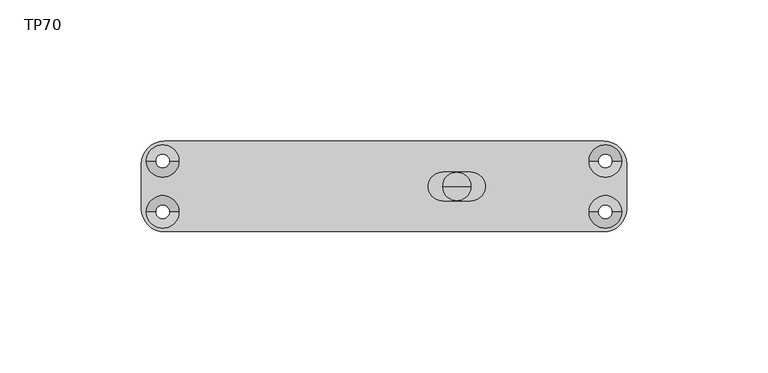
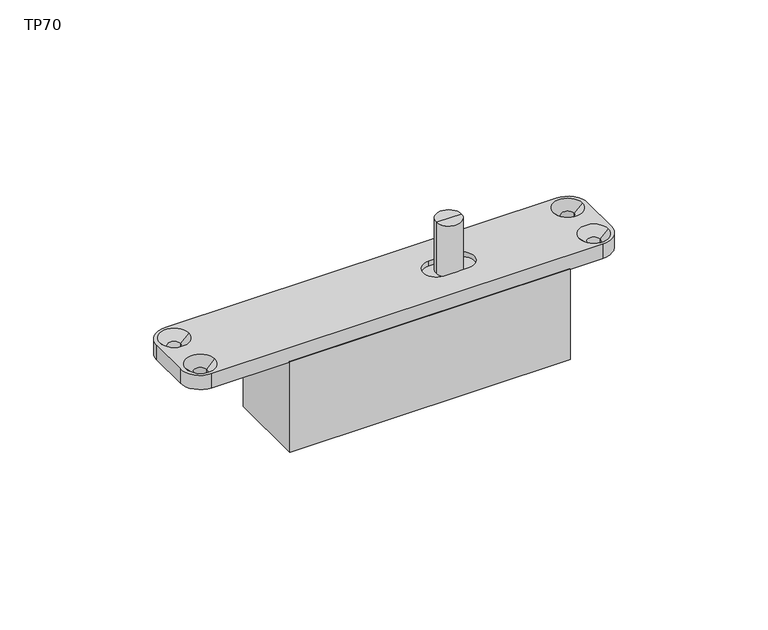
"""IFC4 building model written with IfcOpenShell, lengths in millimetres: proxy geometry, TP70."""

from ifc_helpers import new_model, si_unit, frame, origin, place, context, project, spatial, polyline, circle_curve, source, transform, mapped, element, save
from ifc_brep_helpers import plane_surface, cylinder_surface, revolved_surface, advanced_brep


def tp70_18b1f5ac(model_context):
    return source(origin(), model_context, "Body", "AdvancedBrep", [
        advanced_brep(
        [(-72.5, -16.0, -44.0), (39.0, -16.0, -44.0), (39.0, -16.0, -6.0), (-72.5, -16.0, -6.0), (-72.5, 16.0, -44.0), (-72.5, 16.0, -6.0), (39.0, 16.0, -6.0), (39.0, 16.0, -44.0), (39.0, 5.0, -13.0), (39.0, -5.0, -13.0), (39.0, 5.0, -34.0), (39.0, -5.0, -34.0), (37.0, -3.0, -13.0), (37.0, 3.0, -13.0), (33.0, 3.0, -13.0), (33.0, -3.0, -13.0), (33.0, 0.0, -13.0), (37.0, -3.0, -34.0), (37.0, 3.0, -34.0), (33.0, 3.0, -34.0), (33.0, -3.0, -34.0), (33.0, 0.0, -34.0)],
        [
            (0, 1),
            (1, 2),
            (2, 3),
            (3, 0),
            (4, 5),
            (5, 6),
            (6, 7),
            (7, 4),
            (0, 4),
            (7, 1),
            (6, 2),
            (8, 9, circle_curve(frame((39.0, 0.0, -13.0), z_axis=(-1.0, 0.0, 0.0), x_axis=(0.0, 1.0, 0.0)), 5.0)),
            (9, 8, circle_curve(frame((39.0, 0.0, -13.0), z_axis=(-1.0, 0.0, 0.0), x_axis=(0.0, 1.0, 0.0)), 5.0)),
            (10, 11, circle_curve(frame((39.0, 0.0, -34.0), z_axis=(-1.0, 0.0, 0.0), x_axis=(0.0, 1.0, 0.0)), 5.0)),
            (11, 10, circle_curve(frame((39.0, 0.0, -34.0), z_axis=(-1.0, 0.0, 0.0), x_axis=(0.0, 1.0, 0.0)), 5.0)),
            (5, 3),
            (12, 9),
            (8, 13),
            (13, 12, circle_curve(frame((37.0, 0.0, -13.0), z_axis=(-1.0, 0.0, 0.0), x_axis=(0.0, 1.0, 0.0)), 3.0)),
            (12, 13, circle_curve(frame((37.0, 0.0, -13.0), z_axis=(-1.0, 0.0, 0.0), x_axis=(0.0, 1.0, 0.0)), 3.0)),
            (13, 14),
            (14, 15, circle_curve(frame((33.0, 0.0, -13.0), z_axis=(-1.0, 0.0, 0.0), x_axis=(0.0, 1.0, 0.0)), 3.0)),
            (15, 12),
            (15, 14, circle_curve(frame((33.0, 0.0, -13.0), z_axis=(-1.0, 0.0, 0.0), x_axis=(0.0, 1.0, 0.0)), 3.0)),
            (14, 16),
            (16, 15),
            (17, 11),
            (10, 18),
            (18, 17, circle_curve(frame((37.0, 0.0, -34.0), z_axis=(-1.0, 0.0, 0.0), x_axis=(0.0, 1.0, 0.0)), 3.0)),
            (17, 18, circle_curve(frame((37.0, 0.0, -34.0), z_axis=(-1.0, 0.0, 0.0), x_axis=(0.0, 1.0, 0.0)), 3.0)),
            (18, 19),
            (19, 20, circle_curve(frame((33.0, 0.0, -34.0), z_axis=(-1.0, 0.0, 0.0), x_axis=(0.0, 1.0, 0.0)), 3.0)),
            (20, 17),
            (20, 19, circle_curve(frame((33.0, 0.0, -34.0), z_axis=(-1.0, 0.0, 0.0), x_axis=(0.0, 1.0, 0.0)), 3.0)),
            (19, 21),
            (21, 20),
        ],
        [
            plane_surface(frame((-65.6, -16.0, -44.0), z_axis=(0.0, -1.0, 0.0), x_axis=(1.0, 0.0, 0.0))),
            plane_surface(frame((-65.6, 16.0, -44.0), z_axis=(0.0, 1.0, 0.0), x_axis=(-1.0, 0.0, 0.0))),
            plane_surface(frame((-72.5, -16.0, -44.0), z_axis=(0.0, 0.0, -1.0), x_axis=(0.0, 1.0, 0.0))),
            plane_surface(frame((39.0, -16.0, -44.0), z_axis=(1.0, 0.0, 0.0), x_axis=(0.0, 1.0, 0.0))),
            plane_surface(frame((39.0, -16.0, -6.0), z_axis=(0.0, 0.0, 1.0), x_axis=(0.0, 1.0, 0.0))),
            plane_surface(frame((-72.5, -16.0, -6.0), z_axis=(-1.0, 0.0, 0.0), x_axis=(0.0, 1.0, 0.0))),
            revolved_surface(polyline([(37.0, 3.0, -13.0), (39.0, 5.0, -13.0)]), (49.2693834, 0.0, -13.0), (-1.0, 0.0, 0.0)),
            revolved_surface(polyline([(33.0, 3.0, -13.0), (37.0, 3.0, -13.0)]), (49.2693834, 0.0, -13.0), (-1.0, 0.0, 0.0)),
            plane_surface(frame((33.0, 0.0, -13.0), z_axis=(1.0, 0.0, 0.0), x_axis=(0.0, 1.0, 0.0))),
            revolved_surface(polyline([(37.0, 3.0, -34.0), (39.0, 5.0, -34.0)]), (49.2693834, 0.0, -34.0), (-1.0, 0.0, 0.0)),
            revolved_surface(polyline([(33.0, 3.0, -34.0), (37.0, 3.0, -34.0)]), (49.2693834, 0.0, -34.0), (-1.0, 0.0, 0.0)),
            plane_surface(frame((33.0, 0.0, -34.0), z_axis=(1.0, 0.0, 0.0), x_axis=(0.0, 1.0, 0.0))),
        ],
        [
            (0, [[1, 2, 3, 4]]),
            (1, [[5, 6, 7, 8]]),
            (2, [[-1, 9, -8, 10]]),
            (3, [[-2, -10, -7, 11], [12, 13], [14, 15]]),
            (4, [[-3, -11, -6, 16]]),
            (5, [[-4, -16, -5, -9]]),
            (6, [[17, -12, 18, 19]]),
            (6, [[-17, 20, -18, -13]]),
            (7, [[-19, 21, 22, 23]]),
            (7, [[-20, -23, 24, -21]]),
            (8, [[-22, 25, 26]]),
            (8, [[-24, -26, -25]]),
            (9, [[27, -14, 28, 29]]),
            (9, [[-27, 30, -28, -15]]),
            (10, [[-29, 31, 32, 33]]),
            (10, [[-30, -33, 34, -31]]),
            (11, [[-32, 35, 36]]),
            (11, [[-34, -36, -35]]),
        ],
    ),
        advanced_brep(
        [(5.0, 0.0, -2.0), (-5.0, 0.0, -2.0), (-5.0, 0.0, 19.5), (5.0, 0.0, 19.5), (0.0, 0.0, -2.0), (0.0, 0.0, 19.5)],
        [
            (0, 1, circle_curve(frame((0.0, 0.0, -2.0), z_axis=(0.0, 0.0, 1.0), x_axis=(-1.0, 0.0, 0.0)), 5.0)),
            (1, 2),
            (2, 3, circle_curve(frame((0.0, 0.0, 19.5), z_axis=(0.0, 0.0, -1.0), x_axis=(-1.0, 0.0, 0.0)), 5.0)),
            (3, 0),
            (1, 0, circle_curve(frame((0.0, 0.0, -2.0), z_axis=(0.0, 0.0, 1.0), x_axis=(-1.0, 0.0, 0.0)), 5.0)),
            (3, 2, circle_curve(frame((0.0, 0.0, 19.5), z_axis=(0.0, 0.0, -1.0), x_axis=(-1.0, 0.0, 0.0)), 5.0)),
            (4, 1),
            (0, 4),
            (2, 5),
            (5, 3),
        ],
        [
            cylinder_surface(frame((0.0, 0.0, 27.9005806), z_axis=(0.0, 0.0, -1.0), x_axis=(-1.0, 0.0, 0.0)), 5.0),
            plane_surface(frame((0.0, 0.0, -2.0), z_axis=(0.0, 0.0, -1.0), x_axis=(-1.0, 0.0, 0.0))),
            plane_surface(frame((0.0, 0.0, 19.5), z_axis=(0.0, 0.0, 1.0), x_axis=(-1.0, 0.0, 0.0))),
        ],
        [
            (0, [[1, 2, 3, 4]]),
            (0, [[5, -4, 6, -2]]),
            (1, [[7, -1, 8]]),
            (1, [[-8, -5, -7]]),
            (2, [[-3, 9, 10]]),
            (2, [[-6, -10, -9]]),
        ],
    ),
        advanced_brep(
        [(-103.5, -16.0, -6.0), (52.0, -16.0, -6.0), (52.0, -16.0, 0.0), (-103.5, -16.0, 0.0), (-103.5, 16.0, 0.0), (52.0, 16.0, 0.0), (52.0, 16.0, -6.0), (-103.5, 16.0, -6.0), (-111.5, -8.0, 0.0), (-111.5, 8.0, 0.0), (-111.5, 8.0, -6.0), (-111.5, -8.0, -6.0), (60.0, -8.0, 0.0), (60.0, 8.0, 0.0), (-109.75, 9.0, 0.0), (-98.25, 9.0, 0.0), (-98.25, -9.0, 0.0), (-109.75, -9.0, 0.0), (46.75, 9.0, 0.0), (58.25, 9.0, 0.0), (58.25, -9.0, 0.0), (46.75, -9.0, 0.0), (-5.0, 5.1, 0.0), (5.0, 5.1, 0.0), (5.0, -5.1, 0.0), (-5.0, -5.1, 0.0), (60.0, -8.0, -6.0), (60.0, 8.0, -6.0), (-101.5, 9.0, -6.0), (-106.5, 9.0, -6.0), (-106.5, -9.0, -6.0), (-101.5, -9.0, -6.0), (55.0, 9.0, -6.0), (50.0, 9.0, -6.0), (50.0, -9.0, -6.0), (55.0, -9.0, -6.0), (-101.5, 9.0, -3.25), (-106.5, 9.0, -3.25), (-101.5, -9.0, -3.25), (-106.5, -9.0, -3.25), (50.0, 9.0, -3.25), (55.0, 9.0, -3.25), (50.0, -9.0, -3.25), (55.0, -9.0, -3.25), (5.0, 5.1, -2.0), (-5.0, 5.1, -2.0), (-5.0, -5.1, -2.0), (5.0, -5.1, -2.0)],
        [
            (0, 1),
            (1, 2),
            (2, 3),
            (3, 0),
            (4, 5),
            (5, 6),
            (6, 7),
            (7, 4),
            (8, 9),
            (9, 10),
            (10, 11),
            (11, 8),
            (2, 12, circle_curve(frame((52.0, -8.0, 0.0), z_axis=(0.0, 0.0, 1.0), x_axis=(-1.0, 0.0, 0.0)), 8.0)),
            (12, 13),
            (13, 5, circle_curve(frame((52.0, 8.0, 0.0), z_axis=(0.0, 0.0, 1.0), x_axis=(-1.0, 0.0, 0.0)), 8.0)),
            (4, 9, circle_curve(frame((-103.5, 8.0, 0.0), z_axis=(0.0, 0.0, 1.0), x_axis=(1.0, 0.0, 0.0)), 8.0)),
            (8, 3, circle_curve(frame((-103.5, -8.0, 0.0), z_axis=(0.0, 0.0, 1.0), x_axis=(1.0, 0.0, 0.0)), 8.0)),
            (14, 15, circle_curve(frame((-104.0, 9.0, 0.0), z_axis=(0.0, 0.0, -1.0), x_axis=(-1.0, 0.0, 0.0)), 5.75)),
            (15, 14, circle_curve(frame((-104.0, 9.0, 0.0), z_axis=(0.0, 0.0, -1.0), x_axis=(-1.0, 0.0, 0.0)), 5.75)),
            (16, 17, circle_curve(frame((-104.0, -9.0, 0.0), z_axis=(0.0, 0.0, -1.0), x_axis=(-1.0, 0.0, 0.0)), 5.75)),
            (17, 16, circle_curve(frame((-104.0, -9.0, 0.0), z_axis=(0.0, 0.0, -1.0), x_axis=(-1.0, 0.0, 0.0)), 5.75)),
            (18, 19, circle_curve(frame((52.5, 9.0, 0.0), z_axis=(0.0, 0.0, -1.0), x_axis=(1.0, 0.0, 0.0)), 5.75)),
            (19, 18, circle_curve(frame((52.5, 9.0, 0.0), z_axis=(0.0, 0.0, -1.0), x_axis=(1.0, 0.0, 0.0)), 5.75)),
            (20, 21, circle_curve(frame((52.5, -9.0, 0.0), z_axis=(0.0, 0.0, -1.0), x_axis=(1.0, 0.0, 0.0)), 5.75)),
            (21, 20, circle_curve(frame((52.5, -9.0, 0.0), z_axis=(0.0, 0.0, -1.0), x_axis=(1.0, 0.0, 0.0)), 5.75)),
            (22, 23),
            (23, 24, circle_curve(frame((5.0, 0.0, 0.0), z_axis=(0.0, 0.0, -1.0), x_axis=(0.0, -1.0, 0.0)), 5.1)),
            (24, 25),
            (25, 22, circle_curve(frame((-5.0, 0.0, 0.0), z_axis=(0.0, 0.0, -1.0), x_axis=(0.0, -1.0, 0.0)), 5.1)),
            (12, 26),
            (26, 27),
            (27, 13),
            (0, 11, circle_curve(frame((-103.5, -8.0, -6.0), z_axis=(0.0, 0.0, -1.0), x_axis=(1.0, 0.0, 0.0)), 8.0)),
            (10, 7, circle_curve(frame((-103.5, 8.0, -6.0), z_axis=(0.0, 0.0, -1.0), x_axis=(1.0, 0.0, 0.0)), 8.0)),
            (6, 27, circle_curve(frame((52.0, 8.0, -6.0), z_axis=(0.0, 0.0, -1.0), x_axis=(-1.0, 0.0, 0.0)), 8.0)),
            (26, 1, circle_curve(frame((52.0, -8.0, -6.0), z_axis=(0.0, 0.0, -1.0), x_axis=(-1.0, 0.0, 0.0)), 8.0)),
            (28, 29, circle_curve(frame((-104.0, 9.0, -6.0), z_axis=(0.0, 0.0, 1.0), x_axis=(-1.0, 0.0, 0.0)), 2.5)),
            (29, 28, circle_curve(frame((-104.0, 9.0, -6.0), z_axis=(0.0, 0.0, 1.0), x_axis=(-1.0, 0.0, 0.0)), 2.5)),
            (30, 31, circle_curve(frame((-104.0, -9.0, -6.0), z_axis=(0.0, 0.0, 1.0), x_axis=(-1.0, 0.0, 0.0)), 2.5)),
            (31, 30, circle_curve(frame((-104.0, -9.0, -6.0), z_axis=(0.0, 0.0, 1.0), x_axis=(-1.0, 0.0, 0.0)), 2.5)),
            (32, 33, circle_curve(frame((52.5, 9.0, -6.0), z_axis=(0.0, 0.0, 1.0), x_axis=(1.0, 0.0, 0.0)), 2.5)),
            (33, 32, circle_curve(frame((52.5, 9.0, -6.0), z_axis=(0.0, 0.0, 1.0), x_axis=(1.0, 0.0, 0.0)), 2.5)),
            (34, 35, circle_curve(frame((52.5, -9.0, -6.0), z_axis=(0.0, 0.0, 1.0), x_axis=(1.0, 0.0, 0.0)), 2.5)),
            (35, 34, circle_curve(frame((52.5, -9.0, -6.0), z_axis=(0.0, 0.0, 1.0), x_axis=(1.0, 0.0, 0.0)), 2.5)),
            (28, 36),
            (36, 37, circle_curve(frame((-104.0, 9.0, -3.25), z_axis=(0.0, 0.0, 1.0), x_axis=(-1.0, 0.0, 0.0)), 2.5)),
            (37, 29),
            (37, 36, circle_curve(frame((-104.0, 9.0, -3.25), z_axis=(0.0, 0.0, 1.0), x_axis=(-1.0, 0.0, 0.0)), 2.5)),
            (36, 15),
            (14, 37),
            (38, 31),
            (30, 39),
            (39, 38, circle_curve(frame((-104.0, -9.0, -3.25), z_axis=(0.0, 0.0, 1.0), x_axis=(-1.0, 0.0, 0.0)), 2.5)),
            (38, 39, circle_curve(frame((-104.0, -9.0, -3.25), z_axis=(0.0, 0.0, 1.0), x_axis=(-1.0, 0.0, 0.0)), 2.5)),
            (39, 17),
            (16, 38),
            (40, 33),
            (32, 41),
            (41, 40, circle_curve(frame((52.5, 9.0, -3.25), z_axis=(0.0, 0.0, 1.0), x_axis=(1.0, 0.0, 0.0)), 2.5)),
            (40, 41, circle_curve(frame((52.5, 9.0, -3.25), z_axis=(0.0, 0.0, 1.0), x_axis=(1.0, 0.0, 0.0)), 2.5)),
            (41, 19),
            (18, 40),
            (34, 42),
            (42, 43, circle_curve(frame((52.5, -9.0, -3.25), z_axis=(0.0, 0.0, 1.0), x_axis=(1.0, 0.0, 0.0)), 2.5)),
            (43, 35),
            (43, 42, circle_curve(frame((52.5, -9.0, -3.25), z_axis=(0.0, 0.0, 1.0), x_axis=(1.0, 0.0, 0.0)), 2.5)),
            (42, 21),
            (20, 43),
            (44, 45),
            (45, 46, circle_curve(frame((-5.0, 0.0, -2.0), z_axis=(0.0, 0.0, 1.0), x_axis=(0.0, -1.0, 0.0)), 5.1)),
            (46, 47),
            (47, 44, circle_curve(frame((5.0, 0.0, -2.0), z_axis=(0.0, 0.0, 1.0), x_axis=(0.0, -1.0, 0.0)), 5.1)),
            (44, 23),
            (22, 45),
            (25, 46),
            (24, 47),
        ],
        [
            plane_surface(frame((-62.0, -16.0, -6.0), z_axis=(0.0, -1.0, 0.0), x_axis=(1.0, 0.0, 0.0))),
            plane_surface(frame((-62.0, 16.0, -6.0), z_axis=(0.0, 1.0, 0.0), x_axis=(-1.0, 0.0, 0.0))),
            plane_surface(frame((-111.5, -16.0, 0.0), z_axis=(-1.0, 0.0, 0.0), x_axis=(0.0, 1.0, 0.0))),
            plane_surface(frame((60.0, -16.0, 0.0), z_axis=(0.0, 0.0, 1.0), x_axis=(0.0, 1.0, 0.0))),
            plane_surface(frame((60.0, -16.0, -6.0), z_axis=(1.0, 0.0, 0.0), x_axis=(0.0, 1.0, 0.0))),
            plane_surface(frame((-111.5, -16.0, -6.0), z_axis=(0.0, 0.0, -1.0), x_axis=(0.0, 1.0, 0.0))),
            cylinder_surface(frame((-103.5, -8.0, -7.0), z_axis=(0.0, 0.0, -1.0), x_axis=(1.0, 0.0, 0.0)), 8.0),
            cylinder_surface(frame((-103.5, 8.0, 0.0), z_axis=(0.0, 0.0, -1.0), x_axis=(1.0, 0.0, 0.0)), 8.0),
            cylinder_surface(frame((52.0, -8.0, 0.0), z_axis=(0.0, 0.0, -1.0), x_axis=(-1.0, 0.0, 0.0)), 8.0),
            cylinder_surface(frame((52.0, 8.0, 0.0), z_axis=(0.0, 0.0, -1.0), x_axis=(-1.0, 0.0, 0.0)), 8.0),
            revolved_surface(polyline([(-106.5, 9.0, -6.0), (-106.5, 9.0, -3.2499999999999996)]), (-104.0, 9.0, 2.7351973), (0.0, 0.0, -1.0)),
            revolved_surface(polyline([(-106.5, 9.0, -3.25), (-109.75, 9.0, 0.0)]), (-104.0, 9.0, 2.7351973), (0.0, 0.0, -1.0)),
            revolved_surface(polyline([(-106.5, -9.0, -3.2499999999999996), (-106.5, -9.0, -6.0)]), (-104.0, -9.0, 2.7351973), (0.0, 0.0, 1.0)),
            revolved_surface(polyline([(-109.75, -9.0, 0.0), (-106.5, -9.0, -3.25)]), (-104.0, -9.0, 2.7351973), (0.0, 0.0, 1.0)),
            revolved_surface(polyline([(55.0, 9.0, -3.2499999999999996), (55.0, 9.0, -6.0)]), (52.5, 9.0, 2.7351973), (0.0, 0.0, 1.0)),
            revolved_surface(polyline([(58.25, 9.0, 0.0), (55.0, 9.0, -3.25)]), (52.5, 9.0, 2.7351973), (0.0, 0.0, 1.0)),
            revolved_surface(polyline([(55.0, -9.0, -6.0), (55.0, -9.0, -3.2499999999999996)]), (52.5, -9.0, 2.7351973), (0.0, 0.0, -1.0)),
            revolved_surface(polyline([(55.0, -9.0, -3.25), (58.25, -9.0, 0.0)]), (52.5, -9.0, 2.7351973), (0.0, 0.0, -1.0)),
            plane_surface(frame((0.0, 0.0, -2.0), z_axis=(0.0, 0.0, 1.0), x_axis=(0.0, -1.0, 0.0))),
            plane_surface(frame((5.0, 5.1, 0.0), z_axis=(0.0, -1.0, 0.0), x_axis=(0.0, 0.0, -1.0))),
            revolved_surface(polyline([(-5.0, -5.1, 0.0), (-5.0, -5.1, -2.0)]), (-5.0, 0.0, 0.0), (0.0, 0.0, 1.0)),
            plane_surface(frame((-5.0, -5.1, 0.0), z_axis=(0.0, 1.0, 0.0), x_axis=(0.0, 0.0, -1.0))),
            revolved_surface(polyline([(5.0, -5.1, 0.0), (5.0, -5.1, -2.0)]), (5.0, 0.0, 0.0), (0.0, 0.0, 1.0)),
        ],
        [
            (0, [[1, 2, 3, 4]]),
            (1, [[5, 6, 7, 8]]),
            (2, [[9, 10, 11, 12]]),
            (3, [[-3, 13, 14, 15, -5, 16, -9, 17], [18, 19], [20, 21], [22, 23], [24, 25], [26, 27, 28, 29]]),
            (4, [[-14, 30, 31, 32]]),
            (5, [[-1, 33, -11, 34, -7, 35, -31, 36], [37, 38], [39, 40], [41, 42], [43, 44]]),
            (6, [[-4, -17, -12, -33]]),
            (7, [[-8, -34, -10, -16]]),
            (8, [[-2, -36, -30, -13]]),
            (9, [[-6, -15, -32, -35]]),
            (10, [[45, 46, 47, -37]]),
            (10, [[-45, -38, -47, 48]]),
            (11, [[-46, 49, -18, 50]]),
            (11, [[-48, -50, -19, -49]]),
            (12, [[51, -39, 52, 53]]),
            (12, [[-51, 54, -52, -40]]),
            (13, [[-53, 55, -20, 56]]),
            (13, [[-54, -56, -21, -55]]),
            (14, [[57, -41, 58, 59]]),
            (14, [[-57, 60, -58, -42]]),
            (15, [[-59, 61, -22, 62]]),
            (15, [[-60, -62, -23, -61]]),
            (16, [[63, 64, 65, -43]]),
            (16, [[-63, -44, -65, 66]]),
            (17, [[-64, 67, -24, 68]]),
            (17, [[-66, -68, -25, -67]]),
            (18, [[69, 70, 71, 72]]),
            (19, [[-69, 73, -26, 74]]),
            (20, [[-70, -74, -29, 75]]),
            (21, [[-71, -75, -28, 76]]),
            (22, [[-72, -76, -27, -73]]),
        ],
    ),
    ])


if __name__ == "__main__":
    model = new_model("IFC4")
    model_context = context("Model", 3, world=origin())
    ifc_project = project(units=[si_unit("LENGTHUNIT", "METRE", prefix="MILLI")], contexts=[model_context])
    site = spatial("IfcSite", under=ifc_project)
    building = spatial("IfcBuilding", under=site)
    placement = place(None, origin())
    tp70_shape = tp70_18b1f5ac(model_context)
    element("IfcBuildingElementProxy", 1, Name="TP70", ObjectType="TP70", at=placement, inside=building, context=model_context, shape_type="MappedRepresentation", body=[
        mapped(tp70_shape, transform((0.0, 0.0, 0.0), x_axis=(1.0, 0.0, 0.0), y_axis=(0.0, 1.0, 0.0), z_axis=(0.0, 0.0, 1.0))),
    ])
    save(model, "model.ifc")
